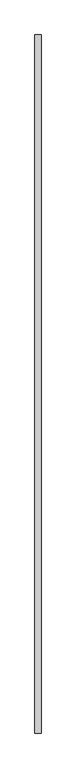
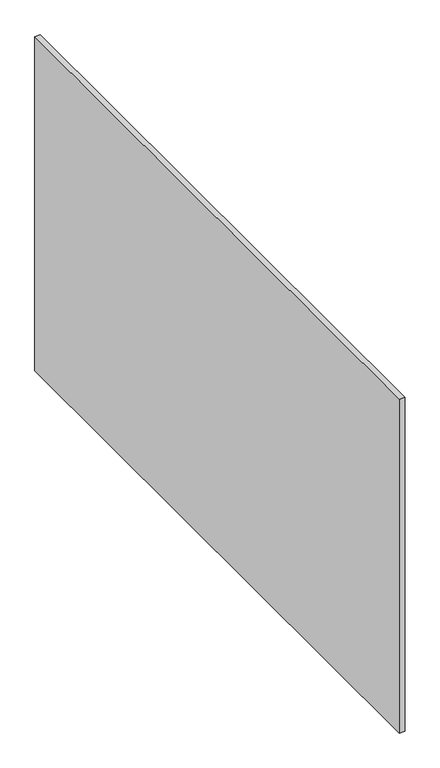
"""IFC4 building model written with IfcOpenShell, lengths in millimetres: proxy geometry."""

from ifc_helpers import new_model, si_unit, origin, origin_with_axes, place, context, project, spatial, polyline, outline, extrude, source, transform, mapped, element, save


def generic_models_79a92e20(model_context):
    return source(origin(), model_context, "Body", "SweptSolid", [
        extrude(outline(polyline([(30.0, 3400.0), (30.0, 0.0), (0.0, 0.0), (0.0, 3400.0), (30.0, 3400.0)])), origin_with_axes(), (0.0, 0.0, 1.0), 1900.0),
    ])


if __name__ == "__main__":
    model = new_model("IFC4")
    model_context = context("Model", 3, world=origin())
    ifc_project = project(units=[si_unit("LENGTHUNIT", "METRE", prefix="MILLI")], contexts=[model_context])
    site = spatial("IfcSite", under=ifc_project)
    building = spatial("IfcBuilding", under=site)
    placement = place(None, origin())
    generic_models_shape = generic_models_79a92e20(model_context)
    element("IfcBuildingElementProxy", 1, Name="Generic Models", at=placement, inside=building, context=model_context, shape_type="MappedRepresentation", body=[
        mapped(generic_models_shape, transform((0.0, 0.0, 0.0), x_axis=(1.0, 0.0, 0.0), y_axis=(0.0, 1.0, 0.0), z_axis=(0.0, 0.0, 1.0))),
    ])
    save(model, "model.ifc")
